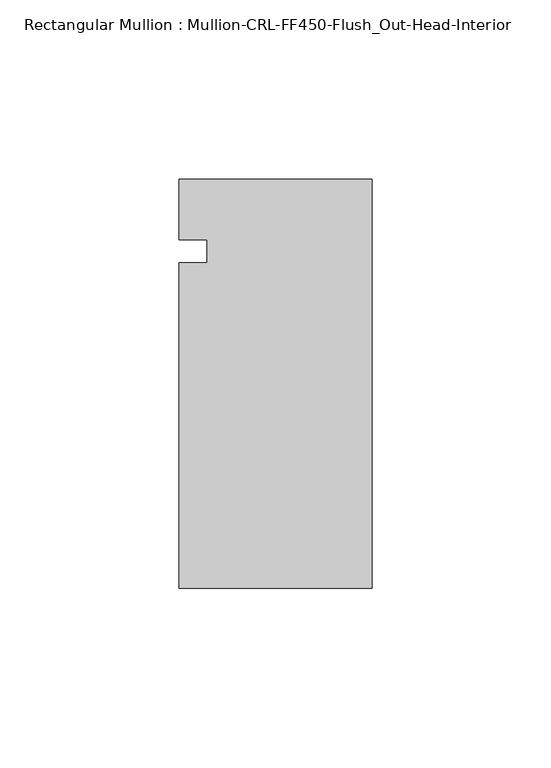
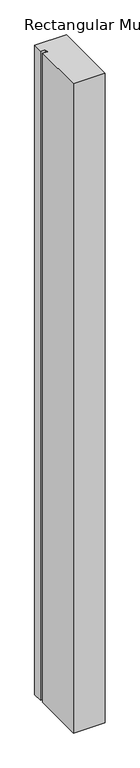
"""IFC4 building model written with IfcOpenShell, lengths in millimetres: member geometry, Rectangular Mullion : Mullion-CRL-FF450-Flush_Out-Head-Interior."""

from ifc_helpers import new_model, si_unit, frame, origin, place, context, project, spatial, polyline, outline, extrude, source, transform, mapped, element, save


def rectangular_mullion_mullion_crl_ff450_flush_out_head_b884fbb4(model_context):
    return source(origin(), model_context, "Body", "SweptSolid", [
        extrude(outline(polyline([(0.0, 20.160815), (0.0, -94.1210236), (-53.9750401, -94.1210236), (-53.9750401, -3.1555912), (-46.0375401, -3.1555912), (-46.0375401, 3.1944088), (-53.9750401, 3.1944088), (-53.9750401, 20.160815), (0.0, 20.160815)])), frame((0.0, 0.0, -1166.2740694), z_axis=(0.0, 0.0, 1.0), x_axis=(1.0, 0.0, 0.0)), (0.0, 0.0, 1.0), 1166.2740694),
    ])


if __name__ == "__main__":
    model = new_model("IFC4")
    model_context = context("Model", 3, world=origin())
    ifc_project = project(units=[si_unit("LENGTHUNIT", "METRE", prefix="MILLI")], contexts=[model_context])
    site = spatial("IfcSite", under=ifc_project)
    building = spatial("IfcBuilding", under=site)
    placement = place(None, origin())
    rectangular_mullion_mullion_crl_ff450_flush_out_head_shape = rectangular_mullion_mullion_crl_ff450_flush_out_head_b884fbb4(model_context)
    element("IfcMember", 1, ObjectType="Rectangular Mullion : Mullion-CRL-FF450-Flush_Out-Head-Interior", at=placement, inside=building, context=model_context, shape_type="MappedRepresentation", body=[
        mapped(rectangular_mullion_mullion_crl_ff450_flush_out_head_shape, transform((0.0, 0.0, 0.0), x_axis=(1.0, 0.0, 0.0), y_axis=(0.0, 1.0, 0.0), z_axis=(0.0, 0.0, 1.0))),
    ])
    save(model, "model.ifc")
